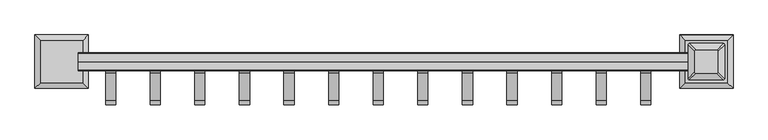
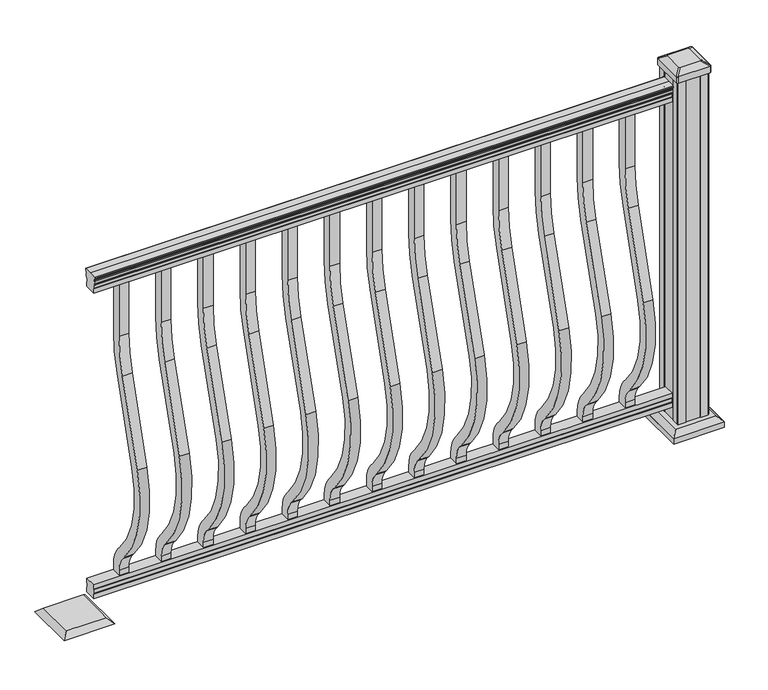
"""IFC4 building model written with IfcOpenShell, lengths in millimetres: railing geometry."""

from ifc_helpers import new_model, si_unit, point, frame, frame_2d, origin, origin_with_axes, place, context, project, spatial, polyline, circle_curve, trimmed, segment, composite_curve, outline, extrude, faceted_brep, source, transform, mapped, element, save
from ifc_brep_helpers import plane_surface, cylinder_surface, revolved_surface, extruded_surface, advanced_brep


def railing_f839fa81(model_context):
    return source(origin(), model_context, "Body", "SolidModel", [
        advanced_brep(
        [(14131.8060044, -47460.9992427, 938.4043297), (14131.8060044, -47460.9992427, 940.292412), (14131.8060044, -47462.129429, 941.8546695), (14131.8060044, -47462.129429, 949.0726458), (14131.8060044, -47461.4801726, 951.5060812), (14131.8060044, -47463.9801726, 955.8362083), (14131.8060044, -47465.3895151, 957.5157972), (14131.8060044, -47465.7914141, 958.6205318), (14131.8060044, -47465.791414, 959.9608158), (14131.8060044, -47464.2379668, 961.514263), (14131.8060044, -47443.566414, 961.514263), (14131.8060044, -47422.8948612, 961.514263), (14131.8060044, -47421.341414, 959.9608158), (14131.8060044, -47421.341414, 958.6205318), (14131.8060044, -47421.7433129, 957.5157972), (14131.8060044, -47423.1526554, 955.8362083), (14131.8060044, -47425.6526554, 951.5060812), (14131.8060044, -47425.003399, 949.0726458), (14131.8060044, -47425.003399, 941.8546695), (14131.8060044, -47426.1335853, 940.292412), (14131.8060044, -47426.1335853, 938.4043297), (14131.8060044, -47428.707414, 938.4043297), (14131.8060044, -47428.707414, 927.9048283), (14131.8060044, -47427.691414, 926.8888283), (14131.8060044, -47427.691414, 914.4), (14131.8060044, -47459.441414, 914.4), (14131.8060044, -47459.441414, 926.731013), (14131.8060044, -47458.425414, 927.747013), (14131.8060044, -47458.425414, 938.4043297), (15655.8060044, -47460.9992427, 938.4043297), (15655.8060044, -47458.425414, 938.4043297), (15655.8060044, -47458.425414, 927.747013), (15655.8060044, -47459.441414, 926.731013), (15655.8060044, -47459.441414, 914.4), (15655.8060044, -47427.691414, 914.4), (15655.8060044, -47427.691414, 926.8888283), (15655.8060044, -47428.707414, 927.9048283), (15655.8060044, -47428.707414, 938.4043297), (15655.8060044, -47426.1335853, 938.4043297), (15655.8060044, -47426.1335853, 940.292412), (15655.8060044, -47425.003399, 941.8546695), (15655.8060044, -47425.003399, 949.0726458), (15655.8060044, -47425.6526554, 951.5060812), (15655.8060044, -47423.1526554, 955.8362083), (15655.8060044, -47421.7433129, 957.5157972), (15655.8060044, -47421.3414139, 958.6205318), (15655.8060044, -47421.341414, 959.9608158), (15655.8060044, -47422.8948612, 961.514263), (15655.8060044, -47443.566414, 961.514263), (15655.8060044, -47464.2379668, 961.514263), (15655.8060044, -47465.791414, 959.9608158), (15655.8060044, -47465.791414, 958.6205318), (15655.8060044, -47465.3895151, 957.5157972), (15655.8060044, -47463.9801726, 955.8362083), (15655.8060044, -47461.4801726, 951.5060812), (15655.8060044, -47462.129429, 949.0726458), (15655.8060044, -47462.129429, 941.8546695), (15655.8060044, -47460.9992427, 940.292412)],
        [
            (0, 1),
            (1, 2, circle_curve(frame((14131.8060044, -47454.6844895, 946.0506383), z_axis=(-1.0, 0.0, 0.0), x_axis=(0.0, 1.0, 0.0)), 8.545951)),
            (2, 3, circle_curve(frame((14131.8060044, -47455.1215524, 945.4636577), z_axis=(-1.0, 0.0, 0.0), x_axis=(0.0, 1.0, 0.0)), 7.882584)),
            (3, 4, circle_curve(frame((14131.8060044, -47465.6348766, 951.3112527), z_axis=(1.0, 0.0, 0.0), x_axis=(0.0, 1.0, 0.0)), 4.1592695)),
            (4, 5, circle_curve(frame((14131.8060044, -47466.9221831, 951.2508864), z_axis=(1.0, 0.0, 0.0), x_axis=(0.0, 1.0, 0.0)), 5.4479907)),
            (5, 6, circle_curve(frame((14131.8060044, -47465.6890247, 955.833395), z_axis=(1.0, 0.0, 0.0), x_axis=(0.0, 1.0, 0.0)), 1.7088543)),
            (6, 7, circle_curve(frame((14131.8060044, -47464.0721246, 958.6205318), z_axis=(-1.0, 0.0, 0.0), x_axis=(0.0, 1.0, 0.0)), 1.7192895)),
            (7, 8),
            (8, 9, circle_curve(frame((14131.8060044, -47464.2379668, 959.9608158), z_axis=(-1.0, 0.0, 0.0), x_axis=(0.0, 1.0, 0.0)), 1.5534472)),
            (9, 10),
            (10, 11),
            (11, 12, circle_curve(frame((14131.8060044, -47422.8948612, 959.9608158), z_axis=(-1.0, 0.0, 0.0), x_axis=(0.0, -1.0, 0.0)), 1.5534472)),
            (12, 13),
            (13, 14, circle_curve(frame((14131.8060044, -47423.0607034, 958.6205318), z_axis=(-1.0, 0.0, 0.0), x_axis=(0.0, -1.0, 0.0)), 1.7192895)),
            (14, 15, circle_curve(frame((14131.8060044, -47421.4438033, 955.833395), z_axis=(1.0, 0.0, 0.0), x_axis=(0.0, -1.0, 0.0)), 1.7088543)),
            (15, 16, circle_curve(frame((14131.8060044, -47420.2106449, 951.2508864), z_axis=(1.0, 0.0, 0.0), x_axis=(0.0, -1.0, 0.0)), 5.4479907)),
            (16, 17, circle_curve(frame((14131.8060044, -47421.4979515, 951.3112527), z_axis=(1.0, 0.0, 0.0), x_axis=(0.0, -1.0, 0.0)), 4.1592695)),
            (17, 18, circle_curve(frame((14131.8060044, -47432.0112756, 945.4636577), z_axis=(-1.0, 0.0, 0.0), x_axis=(0.0, -1.0, 0.0)), 7.882584)),
            (18, 19, circle_curve(frame((14131.8060044, -47432.4483386, 946.0506383), z_axis=(-1.0, 0.0, 0.0), x_axis=(0.0, -1.0, 0.0)), 8.545951)),
            (19, 20),
            (20, 21, circle_curve(frame((14131.8060044, -47427.4204996, 938.4043297), z_axis=(-1.0, 0.0, 0.0), x_axis=(0.0, -1.0, 0.0)), 1.2869144)),
            (21, 22),
            (22, 23),
            (23, 24),
            (24, 25),
            (25, 26),
            (26, 27),
            (27, 28),
            (28, 0, circle_curve(frame((14131.8060044, -47459.7123284, 938.4043297), z_axis=(-1.0, 0.0, 0.0), x_axis=(0.0, 1.0, 0.0)), 1.2869144)),
            (29, 30, circle_curve(frame((15655.8060044, -47459.7123284, 938.4043297), z_axis=(1.0, 0.0, 0.0), x_axis=(0.0, 1.0, 0.0)), 1.2869144)),
            (30, 31),
            (31, 32),
            (32, 33),
            (33, 34),
            (34, 35),
            (35, 36),
            (36, 37),
            (37, 38, circle_curve(frame((15655.8060044, -47427.4204996, 938.4043297), z_axis=(1.0, 0.0, 0.0), x_axis=(0.0, -1.0, 0.0)), 1.2869144)),
            (38, 39),
            (39, 40, circle_curve(frame((15655.8060044, -47432.4483386, 946.0506383), z_axis=(1.0, 0.0, 0.0), x_axis=(0.0, -1.0, 0.0)), 8.545951)),
            (40, 41, circle_curve(frame((15655.8060044, -47432.0112756, 945.4636577), z_axis=(1.0, 0.0, 0.0), x_axis=(0.0, -1.0, 0.0)), 7.882584)),
            (41, 42, circle_curve(frame((15655.8060044, -47421.4979515, 951.3112527), z_axis=(-1.0, 0.0, 0.0), x_axis=(0.0, -1.0, 0.0)), 4.1592695)),
            (42, 43, circle_curve(frame((15655.8060044, -47420.2106449, 951.2508864), z_axis=(-1.0, 0.0, 0.0), x_axis=(0.0, -1.0, 0.0)), 5.4479907)),
            (43, 44, circle_curve(frame((15655.8060044, -47421.4438033, 955.833395), z_axis=(-1.0, 0.0, 0.0), x_axis=(0.0, -1.0, 0.0)), 1.7088543)),
            (44, 45, circle_curve(frame((15655.8060044, -47423.0607034, 958.6205318), z_axis=(1.0, 0.0, 0.0), x_axis=(0.0, -1.0, 0.0)), 1.7192895)),
            (45, 46),
            (46, 47, circle_curve(frame((15655.8060044, -47422.8948612, 959.9608158), z_axis=(1.0, 0.0, 0.0), x_axis=(0.0, -1.0, 0.0)), 1.5534472)),
            (47, 48),
            (48, 49),
            (49, 50, circle_curve(frame((15655.8060044, -47464.2379668, 959.9608158), z_axis=(1.0, 0.0, 0.0), x_axis=(0.0, 1.0, 0.0)), 1.5534472)),
            (50, 51),
            (51, 52, circle_curve(frame((15655.8060044, -47464.0721246, 958.6205318), z_axis=(1.0, 0.0, 0.0), x_axis=(0.0, 1.0, 0.0)), 1.7192895)),
            (52, 53, circle_curve(frame((15655.8060044, -47465.6890247, 955.833395), z_axis=(-1.0, 0.0, 0.0), x_axis=(0.0, 1.0, 0.0)), 1.7088543)),
            (53, 54, circle_curve(frame((15655.8060044, -47466.9221831, 951.2508864), z_axis=(-1.0, 0.0, 0.0), x_axis=(0.0, 1.0, 0.0)), 5.4479907)),
            (54, 55, circle_curve(frame((15655.8060044, -47465.6348766, 951.3112527), z_axis=(-1.0, 0.0, 0.0), x_axis=(0.0, 1.0, 0.0)), 4.1592695)),
            (55, 56, circle_curve(frame((15655.8060044, -47455.1215524, 945.4636577), z_axis=(1.0, 0.0, 0.0), x_axis=(0.0, 1.0, 0.0)), 7.882584)),
            (56, 57, circle_curve(frame((15655.8060044, -47454.6844895, 946.0506383), z_axis=(1.0, 0.0, 0.0), x_axis=(0.0, 1.0, 0.0)), 8.545951)),
            (57, 29),
            (28, 30),
            (29, 0),
            (27, 31),
            (26, 32),
            (25, 33),
            (24, 34),
            (23, 35),
            (22, 36),
            (21, 37),
            (20, 38),
            (19, 39),
            (18, 40),
            (17, 41),
            (16, 42),
            (15, 43),
            (14, 44),
            (13, 45),
            (12, 46),
            (11, 47),
            (10, 48),
            (9, 49),
            (8, 50),
            (7, 51),
            (6, 52),
            (5, 53),
            (4, 54),
            (3, 55),
            (2, 56),
            (1, 57),
        ],
        [
            plane_surface(frame((14131.8060044, -47443.566414, 914.4), z_axis=(-1.0, 0.0, 0.0), x_axis=(0.0, 1.0, 0.0))),
            plane_surface(frame((15655.8060044, -47443.566414, 914.4), z_axis=(1.0, 0.0, 0.0), x_axis=(0.0, 1.0, 0.0))),
            cylinder_surface(frame((14131.8060044, -47459.7123284, 938.4043297), z_axis=(-1.0, 0.0, 0.0), x_axis=(0.0, 1.0, 0.0)), 1.2869144),
            plane_surface(frame((14131.8060044, -47458.425414, 927.747013), z_axis=(0.0, -1.0, 0.0), x_axis=(1.0, 0.0, 0.0))),
            plane_surface(frame((14131.8060044, -47459.441414, 926.731013), z_axis=(0.0, -0.7071067811865395, 0.7071067811865556), x_axis=(1.0, 0.0, 0.0))),
            plane_surface(frame((14131.8060044, -47459.441414, 914.4), z_axis=(0.0, -1.0, 0.0), x_axis=(1.0, 0.0, 0.0))),
            plane_surface(frame((14131.8060044, -47427.691414, 914.4), z_axis=(0.0, 0.0, -1.0), x_axis=(1.0, 0.0, 0.0))),
            plane_surface(frame((14131.8060044, -47427.691414, 926.8888283), z_axis=(0.0, 1.0, 0.0), x_axis=(1.0, 0.0, 0.0))),
            plane_surface(frame((14131.8060044, -47428.707414, 927.9048283), z_axis=(0.0, 0.7071067811865432, 0.707106781186552), x_axis=(1.0, 0.0, 0.0))),
            plane_surface(frame((14131.8060044, -47428.707414, 938.4043297), z_axis=(0.0, 1.0, 0.0), x_axis=(1.0, 0.0, 0.0))),
            cylinder_surface(frame((14131.8060044, -47427.4204996, 938.4043297), z_axis=(-1.0, 0.0, 0.0), x_axis=(0.0, -1.0, 0.0)), 1.2869144),
            plane_surface(frame((14131.8060044, -47426.1335853, 940.292412), z_axis=(0.0, 1.0, 0.0), x_axis=(1.0, 0.0, 0.0))),
            cylinder_surface(frame((14131.8060044, -47432.4483386, 946.0506383), z_axis=(-1.0, 0.0, 0.0), x_axis=(0.0, -1.0, 0.0)), 8.545951),
            cylinder_surface(frame((14131.8060044, -47432.0112756, 945.4636577), z_axis=(-1.0, 0.0, 0.0), x_axis=(0.0, -1.0, 0.0)), 7.882584),
            revolved_surface(polyline([(15655.8060044, -47425.657221, 951.3112527), (14131.8060044, -47425.657221, 951.3112527)]), (14131.8060044, -47421.4979515, 951.3112527), (1.0, 0.0, 0.0)),
            revolved_surface(polyline([(15655.8060044, -47425.6586356, 951.2508864), (14131.8060044, -47425.6586356, 951.2508864)]), (14131.8060044, -47420.2106449, 951.2508864), (1.0, 0.0, 0.0)),
            revolved_surface(polyline([(15655.8060044, -47423.152657599996, 955.833395), (14131.8060044, -47423.152657599996, 955.833395)]), (14131.8060044, -47421.4438033, 955.833395), (1.0, 0.0, 0.0)),
            cylinder_surface(frame((14131.8060044, -47423.0607034, 958.6205318), z_axis=(-1.0, 0.0, 0.0), x_axis=(0.0, -1.0, 0.0)), 1.7192895),
            plane_surface(frame((14131.8060044, -47421.341414, 959.9608158), z_axis=(0.0, 1.0, 0.0), x_axis=(1.0, 0.0, 0.0))),
            cylinder_surface(frame((14131.8060044, -47422.8948612, 959.9608158), z_axis=(-1.0, 0.0, 0.0), x_axis=(0.0, -1.0, 0.0)), 1.5534472),
            plane_surface(frame((14131.8060044, -47443.566414, 961.514263), z_axis=(0.0, 0.0, 1.0), x_axis=(1.0, 0.0, 0.0))),
            plane_surface(frame((14131.8060044, -47464.2379668, 961.514263), z_axis=(0.0, 0.0, 1.0), x_axis=(1.0, 0.0, 0.0))),
            cylinder_surface(frame((14131.8060044, -47464.2379668, 959.9608158), z_axis=(-1.0, 0.0, 0.0), x_axis=(0.0, 1.0, 0.0)), 1.5534472),
            plane_surface(frame((14131.8060044, -47465.791414, 958.6205318), z_axis=(0.0, -1.0, 0.0), x_axis=(1.0, 0.0, 0.0))),
            cylinder_surface(frame((14131.8060044, -47464.0721246, 958.6205318), z_axis=(-1.0, 0.0, 0.0), x_axis=(0.0, 1.0, 0.0)), 1.7192895),
            revolved_surface(polyline([(15655.8060044, -47463.9801704, 955.833395), (14131.8060044, -47463.9801704, 955.833395)]), (14131.8060044, -47465.6890247, 955.833395), (1.0, 0.0, 0.0)),
            revolved_surface(polyline([(15655.8060044, -47461.474192400005, 951.2508864), (14131.8060044, -47461.474192400005, 951.2508864)]), (14131.8060044, -47466.9221831, 951.2508864), (1.0, 0.0, 0.0)),
            revolved_surface(polyline([(15655.8060044, -47461.4756071, 951.3112527), (14131.8060044, -47461.4756071, 951.3112527)]), (14131.8060044, -47465.6348766, 951.3112527), (1.0, 0.0, 0.0)),
            cylinder_surface(frame((14131.8060044, -47455.1215524, 945.4636577), z_axis=(-1.0, 0.0, 0.0), x_axis=(0.0, 1.0, 0.0)), 7.882584),
            cylinder_surface(frame((14131.8060044, -47454.6844895, 946.0506383), z_axis=(-1.0, 0.0, 0.0), x_axis=(0.0, 1.0, 0.0)), 8.545951),
            plane_surface(frame((14131.8060044, -47460.9992427, 938.4043297), z_axis=(0.0, -1.0, 0.0), x_axis=(1.0, 0.0, 0.0))),
        ],
        [
            (0, [[1, 2, 3, 4, 5, 6, 7, 8, 9, 10, 11, 12, 13, 14, 15, 16, 17, 18, 19, 20, 21, 22, 23, 24, 25, 26, 27, 28, 29]]),
            (1, [[30, 31, 32, 33, 34, 35, 36, 37, 38, 39, 40, 41, 42, 43, 44, 45, 46, 47, 48, 49, 50, 51, 52, 53, 54, 55, 56, 57, 58]]),
            (2, [[-29, 59, -30, 60]]),
            (3, [[-28, 61, -31, -59]]),
            (4, [[-27, 62, -32, -61]]),
            (5, [[-26, 63, -33, -62]]),
            (6, [[-25, 64, -34, -63]]),
            (7, [[-24, 65, -35, -64]]),
            (8, [[-23, 66, -36, -65]]),
            (9, [[-22, 67, -37, -66]]),
            (10, [[-21, 68, -38, -67]]),
            (11, [[-20, 69, -39, -68]]),
            (12, [[-19, 70, -40, -69]]),
            (13, [[-18, 71, -41, -70]]),
            (14, [[-17, 72, -42, -71]]),
            (15, [[-16, 73, -43, -72]]),
            (16, [[-15, 74, -44, -73]]),
            (17, [[-14, 75, -45, -74]]),
            (18, [[-13, 76, -46, -75]]),
            (19, [[-12, 77, -47, -76]]),
            (20, [[-11, 78, -48, -77]]),
            (21, [[-10, 79, -49, -78]]),
            (22, [[-9, 80, -50, -79]]),
            (23, [[-8, 81, -51, -80]]),
            (24, [[-7, 82, -52, -81]]),
            (25, [[-6, 83, -53, -82]]),
            (26, [[-5, 84, -54, -83]]),
            (27, [[-4, 85, -55, -84]]),
            (28, [[-3, 86, -56, -85]]),
            (29, [[-2, 87, -57, -86]]),
            (30, [[-1, -60, -58, -87]]),
        ],
    ),
        faceted_brep([(14131.8060044, -47459.4789009, 76.0541976), (14131.8060044, -47458.4629009, 77.3546183), (14131.8060044, -47458.4629009, 87.7141717), (14131.8060044, -47459.4789009, 89.0624492), (14131.8060044, -47459.4789009, 101.5958781), (14131.8060044, -47427.7289009, 101.5958781), (14131.8060044, -47427.7289009, 89.0458024), (14131.8060044, -47428.7449009, 87.6975248), (14131.8060044, -47428.7449009, 77.3858283), (14131.8060044, -47427.7289009, 76.0375508), (14131.8060044, -47427.7289009, 63.5), (14131.8060044, -47459.4789009, 63.5), (15655.8060044, -47459.4789009, 76.0541976), (15655.8060044, -47459.4789009, 63.5), (15655.8060044, -47427.7289009, 63.5), (15655.8060044, -47427.7289009, 76.0375508), (15655.8060044, -47428.7449009, 77.3858283), (15655.8060044, -47428.7449009, 87.6975248), (15655.8060044, -47427.7289009, 89.0458024), (15655.8060044, -47427.7289009, 101.5958781), (15655.8060044, -47459.4789009, 101.5958781), (15655.8060044, -47459.4789009, 89.0624492), (15655.8060044, -47458.4629009, 87.7141717), (15655.8060044, -47458.4629009, 77.3546183)], [[[0, 1, 2, 3, 4, 5, 6, 7, 8, 9, 10, 11]], [[12, 13, 14, 15, 16, 17, 18, 19, 20, 21, 22, 23]], [[0, 11, 13, 12]], [[11, 10, 14, 13]], [[10, 9, 15, 14]], [[9, 8, 16, 15]], [[8, 7, 17, 16]], [[7, 6, 18, 17]], [[6, 5, 19, 18]], [[5, 4, 20, 19]], [[4, 3, 21, 20]], [[3, 2, 22, 21]], [[2, 1, 23, 22]], [[1, 0, 12, 23]]]),
        extrude(outline(composite_curve([segment(polyline([(-47456.266414, 768.63216), (-47456.266414, 914.4), (-47430.866414, 914.4), (-47430.866414, 768.63216)]), True, "CONTINUOUS"), segment(trimmed(circle_curve(frame_2d((-47803.566414, 768.63216)), 372.7), [point((-47430.866414, 768.63216))], [point((-47447.1516315, 659.6652257))], False, "CARTESIAN"), True, "CONTINUOUS"), segment(polyline([(-47447.1516315, 659.6652257), (-47514.9789093, 437.8121964)]), True, "CONTINUOUS"), segment(trimmed(circle_curve(frame_2d((-47259.358648, 359.6612397)), 267.3), [point((-47514.9789093, 437.8121964))], [point((-47458.6736709, 181.5522516))], True, "CARTESIAN"), True, "CONTINUOUS"), segment(polyline([(-47458.6736709, 181.5522516), (-47453.1719976, 175.3955374)]), True, "CONTINUOUS"), segment(trimmed(circle_curve(frame_2d((-47518.566414, 116.9587313)), 87.7), [point((-47453.1719976, 175.3955374))], [point((-47430.866414, 116.9587313))], False, "CARTESIAN"), True, "CONTINUOUS"), segment(polyline([(-47430.866414, 116.9587313), (-47430.866414, 101.5958781), (-47456.266414, 101.5958781), (-47456.266414, 116.9587313)]), True, "CONTINUOUS"), segment(trimmed(circle_curve(frame_2d((-47518.566414, 116.9587313)), 62.3), [point((-47456.266414, 116.9587313))], [point((-47472.1117716, 158.4708524))], True, "CARTESIAN"), True, "CONTINUOUS"), segment(polyline([(-47472.1117716, 158.4708524), (-47477.6134448, 164.6275666)]), True, "CONTINUOUS"), segment(trimmed(circle_curve(frame_2d((-47259.358648, 359.6612397)), 292.7), [point((-47477.6134448, 164.6275666))], [point((-47539.2690501, 445.2384377))], False, "CARTESIAN"), True, "CONTINUOUS"), segment(polyline([(-47539.2690501, 445.2384377), (-47471.4417723, 667.091467)]), True, "CONTINUOUS"), segment(trimmed(circle_curve(frame_2d((-47803.566414, 768.63216)), 347.3), [point((-47471.4417723, 667.091467))], [point((-47456.266414, 768.63216))], True, "CARTESIAN"), True, "CONTINUOUS")], self_intersect=False)), frame((15533.5685044, 0.0, 0.0), z_axis=(1.0, 0.0, 0.0), x_axis=(0.0, 1.0, 0.0)), (0.0, 0.0, 1.0), 25.4),
        extrude(outline(composite_curve([segment(polyline([(-47456.266414, 768.63216), (-47456.266414, 914.4), (-47430.866414, 914.4), (-47430.866414, 768.63216)]), True, "CONTINUOUS"), segment(trimmed(circle_curve(frame_2d((-47803.566414, 768.63216)), 372.7), [point((-47430.866414, 768.63216))], [point((-47447.1516315, 659.6652257))], False, "CARTESIAN"), True, "CONTINUOUS"), segment(polyline([(-47447.1516315, 659.6652257), (-47514.9789093, 437.8121964)]), True, "CONTINUOUS"), segment(trimmed(circle_curve(frame_2d((-47259.358648, 359.6612397)), 267.3), [point((-47514.9789093, 437.8121964))], [point((-47458.6736709, 181.5522516))], True, "CARTESIAN"), True, "CONTINUOUS"), segment(polyline([(-47458.6736709, 181.5522516), (-47453.1719976, 175.3955374)]), True, "CONTINUOUS"), segment(trimmed(circle_curve(frame_2d((-47518.566414, 116.9587313)), 87.7), [point((-47453.1719976, 175.3955374))], [point((-47430.866414, 116.9587313))], False, "CARTESIAN"), True, "CONTINUOUS"), segment(polyline([(-47430.866414, 116.9587313), (-47430.866414, 101.5958781), (-47456.266414, 101.5958781), (-47456.266414, 116.9587313)]), True, "CONTINUOUS"), segment(trimmed(circle_curve(frame_2d((-47518.566414, 116.9587313)), 62.3), [point((-47456.266414, 116.9587313))], [point((-47472.1117716, 158.4708524))], True, "CARTESIAN"), True, "CONTINUOUS"), segment(polyline([(-47472.1117716, 158.4708524), (-47477.6134448, 164.6275666)]), True, "CONTINUOUS"), segment(trimmed(circle_curve(frame_2d((-47259.358648, 359.6612397)), 292.7), [point((-47477.6134448, 164.6275666))], [point((-47539.2690501, 445.2384377))], False, "CARTESIAN"), True, "CONTINUOUS"), segment(polyline([(-47539.2690501, 445.2384377), (-47471.4417723, 667.091467)]), True, "CONTINUOUS"), segment(trimmed(circle_curve(frame_2d((-47803.566414, 768.63216)), 347.3), [point((-47471.4417723, 667.091467))], [point((-47456.266414, 768.63216))], True, "CARTESIAN"), True, "CONTINUOUS")], self_intersect=False)), frame((15422.4435044, 0.0, 0.0), z_axis=(1.0, 0.0, 0.0), x_axis=(0.0, 1.0, 0.0)), (0.0, 0.0, 1.0), 25.4),
        extrude(outline(composite_curve([segment(polyline([(-47456.266414, 768.63216), (-47456.266414, 914.4), (-47430.866414, 914.4), (-47430.866414, 768.63216)]), True, "CONTINUOUS"), segment(trimmed(circle_curve(frame_2d((-47803.566414, 768.63216)), 372.7), [point((-47430.866414, 768.63216))], [point((-47447.1516315, 659.6652257))], False, "CARTESIAN"), True, "CONTINUOUS"), segment(polyline([(-47447.1516315, 659.6652257), (-47514.9789093, 437.8121964)]), True, "CONTINUOUS"), segment(trimmed(circle_curve(frame_2d((-47259.358648, 359.6612397)), 267.3), [point((-47514.9789093, 437.8121964))], [point((-47458.6736709, 181.5522516))], True, "CARTESIAN"), True, "CONTINUOUS"), segment(polyline([(-47458.6736709, 181.5522516), (-47453.1719976, 175.3955374)]), True, "CONTINUOUS"), segment(trimmed(circle_curve(frame_2d((-47518.566414, 116.9587313)), 87.7), [point((-47453.1719976, 175.3955374))], [point((-47430.866414, 116.9587313))], False, "CARTESIAN"), True, "CONTINUOUS"), segment(polyline([(-47430.866414, 116.9587313), (-47430.866414, 101.5958781), (-47456.266414, 101.5958781), (-47456.266414, 116.9587313)]), True, "CONTINUOUS"), segment(trimmed(circle_curve(frame_2d((-47518.566414, 116.9587313)), 62.3), [point((-47456.266414, 116.9587313))], [point((-47472.1117716, 158.4708524))], True, "CARTESIAN"), True, "CONTINUOUS"), segment(polyline([(-47472.1117716, 158.4708524), (-47477.6134448, 164.6275666)]), True, "CONTINUOUS"), segment(trimmed(circle_curve(frame_2d((-47259.358648, 359.6612397)), 292.7), [point((-47477.6134448, 164.6275666))], [point((-47539.2690501, 445.2384377))], False, "CARTESIAN"), True, "CONTINUOUS"), segment(polyline([(-47539.2690501, 445.2384377), (-47471.4417723, 667.091467)]), True, "CONTINUOUS"), segment(trimmed(circle_curve(frame_2d((-47803.566414, 768.63216)), 347.3), [point((-47471.4417723, 667.091467))], [point((-47456.266414, 768.63216))], True, "CARTESIAN"), True, "CONTINUOUS")], self_intersect=False)), frame((15311.3185044, 0.0, 0.0), z_axis=(1.0, 0.0, 0.0), x_axis=(0.0, 1.0, 0.0)), (0.0, 0.0, 1.0), 25.4),
        extrude(outline(composite_curve([segment(polyline([(-47456.266414, 768.63216), (-47456.266414, 914.4), (-47430.866414, 914.4), (-47430.866414, 768.63216)]), True, "CONTINUOUS"), segment(trimmed(circle_curve(frame_2d((-47803.566414, 768.63216)), 372.7), [point((-47430.866414, 768.63216))], [point((-47447.1516315, 659.6652257))], False, "CARTESIAN"), True, "CONTINUOUS"), segment(polyline([(-47447.1516315, 659.6652257), (-47514.9789093, 437.8121964)]), True, "CONTINUOUS"), segment(trimmed(circle_curve(frame_2d((-47259.358648, 359.6612397)), 267.3), [point((-47514.9789093, 437.8121964))], [point((-47458.6736709, 181.5522516))], True, "CARTESIAN"), True, "CONTINUOUS"), segment(polyline([(-47458.6736709, 181.5522516), (-47453.1719976, 175.3955374)]), True, "CONTINUOUS"), segment(trimmed(circle_curve(frame_2d((-47518.566414, 116.9587313)), 87.7), [point((-47453.1719976, 175.3955374))], [point((-47430.866414, 116.9587313))], False, "CARTESIAN"), True, "CONTINUOUS"), segment(polyline([(-47430.866414, 116.9587313), (-47430.866414, 101.5958781), (-47456.266414, 101.5958781), (-47456.266414, 116.9587313)]), True, "CONTINUOUS"), segment(trimmed(circle_curve(frame_2d((-47518.566414, 116.9587313)), 62.3), [point((-47456.266414, 116.9587313))], [point((-47472.1117716, 158.4708524))], True, "CARTESIAN"), True, "CONTINUOUS"), segment(polyline([(-47472.1117716, 158.4708524), (-47477.6134448, 164.6275666)]), True, "CONTINUOUS"), segment(trimmed(circle_curve(frame_2d((-47259.358648, 359.6612397)), 292.7), [point((-47477.6134448, 164.6275666))], [point((-47539.2690501, 445.2384377))], False, "CARTESIAN"), True, "CONTINUOUS"), segment(polyline([(-47539.2690501, 445.2384377), (-47471.4417723, 667.091467)]), True, "CONTINUOUS"), segment(trimmed(circle_curve(frame_2d((-47803.566414, 768.63216)), 347.3), [point((-47471.4417723, 667.091467))], [point((-47456.266414, 768.63216))], True, "CARTESIAN"), True, "CONTINUOUS")], self_intersect=False)), frame((15200.1935044, 0.0, 0.0), z_axis=(1.0, 0.0, 0.0), x_axis=(0.0, 1.0, 0.0)), (0.0, 0.0, 1.0), 25.4),
        extrude(outline(composite_curve([segment(polyline([(-47456.266414, 768.63216), (-47456.266414, 914.4), (-47430.866414, 914.4), (-47430.866414, 768.63216)]), True, "CONTINUOUS"), segment(trimmed(circle_curve(frame_2d((-47803.566414, 768.63216)), 372.7), [point((-47430.866414, 768.63216))], [point((-47447.1516315, 659.6652257))], False, "CARTESIAN"), True, "CONTINUOUS"), segment(polyline([(-47447.1516315, 659.6652257), (-47514.9789093, 437.8121964)]), True, "CONTINUOUS"), segment(trimmed(circle_curve(frame_2d((-47259.358648, 359.6612397)), 267.3), [point((-47514.9789093, 437.8121964))], [point((-47458.6736709, 181.5522516))], True, "CARTESIAN"), True, "CONTINUOUS"), segment(polyline([(-47458.6736709, 181.5522516), (-47453.1719976, 175.3955374)]), True, "CONTINUOUS"), segment(trimmed(circle_curve(frame_2d((-47518.566414, 116.9587313)), 87.7), [point((-47453.1719976, 175.3955374))], [point((-47430.866414, 116.9587313))], False, "CARTESIAN"), True, "CONTINUOUS"), segment(polyline([(-47430.866414, 116.9587313), (-47430.866414, 101.5958781), (-47456.266414, 101.5958781), (-47456.266414, 116.9587313)]), True, "CONTINUOUS"), segment(trimmed(circle_curve(frame_2d((-47518.566414, 116.9587313)), 62.3), [point((-47456.266414, 116.9587313))], [point((-47472.1117716, 158.4708524))], True, "CARTESIAN"), True, "CONTINUOUS"), segment(polyline([(-47472.1117716, 158.4708524), (-47477.6134448, 164.6275666)]), True, "CONTINUOUS"), segment(trimmed(circle_curve(frame_2d((-47259.358648, 359.6612397)), 292.7), [point((-47477.6134448, 164.6275666))], [point((-47539.2690501, 445.2384377))], False, "CARTESIAN"), True, "CONTINUOUS"), segment(polyline([(-47539.2690501, 445.2384377), (-47471.4417723, 667.091467)]), True, "CONTINUOUS"), segment(trimmed(circle_curve(frame_2d((-47803.566414, 768.63216)), 347.3), [point((-47471.4417723, 667.091467))], [point((-47456.266414, 768.63216))], True, "CARTESIAN"), True, "CONTINUOUS")], self_intersect=False)), frame((15089.0685044, 0.0, 0.0), z_axis=(1.0, 0.0, 0.0), x_axis=(0.0, 1.0, 0.0)), (0.0, 0.0, 1.0), 25.4),
        extrude(outline(composite_curve([segment(polyline([(-47456.266414, 768.63216), (-47456.266414, 914.4), (-47430.866414, 914.4), (-47430.866414, 768.63216)]), True, "CONTINUOUS"), segment(trimmed(circle_curve(frame_2d((-47803.566414, 768.63216)), 372.7), [point((-47430.866414, 768.63216))], [point((-47447.1516315, 659.6652257))], False, "CARTESIAN"), True, "CONTINUOUS"), segment(polyline([(-47447.1516315, 659.6652257), (-47514.9789093, 437.8121964)]), True, "CONTINUOUS"), segment(trimmed(circle_curve(frame_2d((-47259.358648, 359.6612397)), 267.3), [point((-47514.9789093, 437.8121964))], [point((-47458.6736709, 181.5522516))], True, "CARTESIAN"), True, "CONTINUOUS"), segment(polyline([(-47458.6736709, 181.5522516), (-47453.1719976, 175.3955374)]), True, "CONTINUOUS"), segment(trimmed(circle_curve(frame_2d((-47518.566414, 116.9587313)), 87.7), [point((-47453.1719976, 175.3955374))], [point((-47430.866414, 116.9587313))], False, "CARTESIAN"), True, "CONTINUOUS"), segment(polyline([(-47430.866414, 116.9587313), (-47430.866414, 101.5958781), (-47456.266414, 101.5958781), (-47456.266414, 116.9587313)]), True, "CONTINUOUS"), segment(trimmed(circle_curve(frame_2d((-47518.566414, 116.9587313)), 62.3), [point((-47456.266414, 116.9587313))], [point((-47472.1117716, 158.4708524))], True, "CARTESIAN"), True, "CONTINUOUS"), segment(polyline([(-47472.1117716, 158.4708524), (-47477.6134448, 164.6275666)]), True, "CONTINUOUS"), segment(trimmed(circle_curve(frame_2d((-47259.358648, 359.6612397)), 292.7), [point((-47477.6134448, 164.6275666))], [point((-47539.2690501, 445.2384377))], False, "CARTESIAN"), True, "CONTINUOUS"), segment(polyline([(-47539.2690501, 445.2384377), (-47471.4417723, 667.091467)]), True, "CONTINUOUS"), segment(trimmed(circle_curve(frame_2d((-47803.566414, 768.63216)), 347.3), [point((-47471.4417723, 667.091467))], [point((-47456.266414, 768.63216))], True, "CARTESIAN"), True, "CONTINUOUS")], self_intersect=False)), frame((14977.9435044, 0.0, 0.0), z_axis=(1.0, 0.0, 0.0), x_axis=(0.0, 1.0, 0.0)), (0.0, 0.0, 1.0), 25.4),
        extrude(outline(composite_curve([segment(polyline([(-47456.266414, 768.63216), (-47456.266414, 914.4), (-47430.866414, 914.4), (-47430.866414, 768.63216)]), True, "CONTINUOUS"), segment(trimmed(circle_curve(frame_2d((-47803.566414, 768.63216)), 372.7), [point((-47430.866414, 768.63216))], [point((-47447.1516315, 659.6652257))], False, "CARTESIAN"), True, "CONTINUOUS"), segment(polyline([(-47447.1516315, 659.6652257), (-47514.9789093, 437.8121964)]), True, "CONTINUOUS"), segment(trimmed(circle_curve(frame_2d((-47259.358648, 359.6612397)), 267.3), [point((-47514.9789093, 437.8121964))], [point((-47458.6736709, 181.5522516))], True, "CARTESIAN"), True, "CONTINUOUS"), segment(polyline([(-47458.6736709, 181.5522516), (-47453.1719976, 175.3955374)]), True, "CONTINUOUS"), segment(trimmed(circle_curve(frame_2d((-47518.566414, 116.9587313)), 87.7), [point((-47453.1719976, 175.3955374))], [point((-47430.866414, 116.9587313))], False, "CARTESIAN"), True, "CONTINUOUS"), segment(polyline([(-47430.866414, 116.9587313), (-47430.866414, 101.5958781), (-47456.266414, 101.5958781), (-47456.266414, 116.9587313)]), True, "CONTINUOUS"), segment(trimmed(circle_curve(frame_2d((-47518.566414, 116.9587313)), 62.3), [point((-47456.266414, 116.9587313))], [point((-47472.1117716, 158.4708524))], True, "CARTESIAN"), True, "CONTINUOUS"), segment(polyline([(-47472.1117716, 158.4708524), (-47477.6134448, 164.6275666)]), True, "CONTINUOUS"), segment(trimmed(circle_curve(frame_2d((-47259.358648, 359.6612397)), 292.7), [point((-47477.6134448, 164.6275666))], [point((-47539.2690501, 445.2384377))], False, "CARTESIAN"), True, "CONTINUOUS"), segment(polyline([(-47539.2690501, 445.2384377), (-47471.4417723, 667.091467)]), True, "CONTINUOUS"), segment(trimmed(circle_curve(frame_2d((-47803.566414, 768.63216)), 347.3), [point((-47471.4417723, 667.091467))], [point((-47456.266414, 768.63216))], True, "CARTESIAN"), True, "CONTINUOUS")], self_intersect=False)), frame((14866.8185044, 0.0, 0.0), z_axis=(1.0, 0.0, 0.0), x_axis=(0.0, 1.0, 0.0)), (0.0, 0.0, 1.0), 25.4),
        extrude(outline(composite_curve([segment(polyline([(-47456.266414, 768.63216), (-47456.266414, 914.4), (-47430.866414, 914.4), (-47430.866414, 768.63216)]), True, "CONTINUOUS"), segment(trimmed(circle_curve(frame_2d((-47803.566414, 768.63216)), 372.7), [point((-47430.866414, 768.63216))], [point((-47447.1516315, 659.6652257))], False, "CARTESIAN"), True, "CONTINUOUS"), segment(polyline([(-47447.1516315, 659.6652257), (-47514.9789093, 437.8121964)]), True, "CONTINUOUS"), segment(trimmed(circle_curve(frame_2d((-47259.358648, 359.6612397)), 267.3), [point((-47514.9789093, 437.8121964))], [point((-47458.6736709, 181.5522516))], True, "CARTESIAN"), True, "CONTINUOUS"), segment(polyline([(-47458.6736709, 181.5522516), (-47453.1719976, 175.3955374)]), True, "CONTINUOUS"), segment(trimmed(circle_curve(frame_2d((-47518.566414, 116.9587313)), 87.7), [point((-47453.1719976, 175.3955374))], [point((-47430.866414, 116.9587313))], False, "CARTESIAN"), True, "CONTINUOUS"), segment(polyline([(-47430.866414, 116.9587313), (-47430.866414, 101.5958781), (-47456.266414, 101.5958781), (-47456.266414, 116.9587313)]), True, "CONTINUOUS"), segment(trimmed(circle_curve(frame_2d((-47518.566414, 116.9587313)), 62.3), [point((-47456.266414, 116.9587313))], [point((-47472.1117716, 158.4708524))], True, "CARTESIAN"), True, "CONTINUOUS"), segment(polyline([(-47472.1117716, 158.4708524), (-47477.6134448, 164.6275666)]), True, "CONTINUOUS"), segment(trimmed(circle_curve(frame_2d((-47259.358648, 359.6612397)), 292.7), [point((-47477.6134448, 164.6275666))], [point((-47539.2690501, 445.2384377))], False, "CARTESIAN"), True, "CONTINUOUS"), segment(polyline([(-47539.2690501, 445.2384377), (-47471.4417723, 667.091467)]), True, "CONTINUOUS"), segment(trimmed(circle_curve(frame_2d((-47803.566414, 768.63216)), 347.3), [point((-47471.4417723, 667.091467))], [point((-47456.266414, 768.63216))], True, "CARTESIAN"), True, "CONTINUOUS")], self_intersect=False)), frame((14755.6935044, 0.0, 0.0), z_axis=(1.0, 0.0, 0.0), x_axis=(0.0, 1.0, 0.0)), (0.0, 0.0, 1.0), 25.4),
        extrude(outline(composite_curve([segment(polyline([(-47456.266414, 768.63216), (-47456.266414, 914.4), (-47430.866414, 914.4), (-47430.866414, 768.63216)]), True, "CONTINUOUS"), segment(trimmed(circle_curve(frame_2d((-47803.566414, 768.63216)), 372.7), [point((-47430.866414, 768.63216))], [point((-47447.1516315, 659.6652257))], False, "CARTESIAN"), True, "CONTINUOUS"), segment(polyline([(-47447.1516315, 659.6652257), (-47514.9789093, 437.8121964)]), True, "CONTINUOUS"), segment(trimmed(circle_curve(frame_2d((-47259.358648, 359.6612397)), 267.3), [point((-47514.9789093, 437.8121964))], [point((-47458.6736709, 181.5522516))], True, "CARTESIAN"), True, "CONTINUOUS"), segment(polyline([(-47458.6736709, 181.5522516), (-47453.1719976, 175.3955374)]), True, "CONTINUOUS"), segment(trimmed(circle_curve(frame_2d((-47518.566414, 116.9587313)), 87.7), [point((-47453.1719976, 175.3955374))], [point((-47430.866414, 116.9587313))], False, "CARTESIAN"), True, "CONTINUOUS"), segment(polyline([(-47430.866414, 116.9587313), (-47430.866414, 101.5958781), (-47456.266414, 101.5958781), (-47456.266414, 116.9587313)]), True, "CONTINUOUS"), segment(trimmed(circle_curve(frame_2d((-47518.566414, 116.9587313)), 62.3), [point((-47456.266414, 116.9587313))], [point((-47472.1117716, 158.4708524))], True, "CARTESIAN"), True, "CONTINUOUS"), segment(polyline([(-47472.1117716, 158.4708524), (-47477.6134448, 164.6275666)]), True, "CONTINUOUS"), segment(trimmed(circle_curve(frame_2d((-47259.358648, 359.6612397)), 292.7), [point((-47477.6134448, 164.6275666))], [point((-47539.2690501, 445.2384377))], False, "CARTESIAN"), True, "CONTINUOUS"), segment(polyline([(-47539.2690501, 445.2384377), (-47471.4417723, 667.091467)]), True, "CONTINUOUS"), segment(trimmed(circle_curve(frame_2d((-47803.566414, 768.63216)), 347.3), [point((-47471.4417723, 667.091467))], [point((-47456.266414, 768.63216))], True, "CARTESIAN"), True, "CONTINUOUS")], self_intersect=False)), frame((14644.5685044, 0.0, 0.0), z_axis=(1.0, 0.0, 0.0), x_axis=(0.0, 1.0, 0.0)), (0.0, 0.0, 1.0), 25.4),
        extrude(outline(composite_curve([segment(polyline([(-47456.266414, 768.63216), (-47456.266414, 914.4), (-47430.866414, 914.4), (-47430.866414, 768.63216)]), True, "CONTINUOUS"), segment(trimmed(circle_curve(frame_2d((-47803.566414, 768.63216)), 372.7), [point((-47430.866414, 768.63216))], [point((-47447.1516315, 659.6652257))], False, "CARTESIAN"), True, "CONTINUOUS"), segment(polyline([(-47447.1516315, 659.6652257), (-47514.9789093, 437.8121964)]), True, "CONTINUOUS"), segment(trimmed(circle_curve(frame_2d((-47259.358648, 359.6612397)), 267.3), [point((-47514.9789093, 437.8121964))], [point((-47458.6736709, 181.5522516))], True, "CARTESIAN"), True, "CONTINUOUS"), segment(polyline([(-47458.6736709, 181.5522516), (-47453.1719976, 175.3955374)]), True, "CONTINUOUS"), segment(trimmed(circle_curve(frame_2d((-47518.566414, 116.9587313)), 87.7), [point((-47453.1719976, 175.3955374))], [point((-47430.866414, 116.9587313))], False, "CARTESIAN"), True, "CONTINUOUS"), segment(polyline([(-47430.866414, 116.9587313), (-47430.866414, 101.5958781), (-47456.266414, 101.5958781), (-47456.266414, 116.9587313)]), True, "CONTINUOUS"), segment(trimmed(circle_curve(frame_2d((-47518.566414, 116.9587313)), 62.3), [point((-47456.266414, 116.9587313))], [point((-47472.1117716, 158.4708524))], True, "CARTESIAN"), True, "CONTINUOUS"), segment(polyline([(-47472.1117716, 158.4708524), (-47477.6134448, 164.6275666)]), True, "CONTINUOUS"), segment(trimmed(circle_curve(frame_2d((-47259.358648, 359.6612397)), 292.7), [point((-47477.6134448, 164.6275666))], [point((-47539.2690501, 445.2384377))], False, "CARTESIAN"), True, "CONTINUOUS"), segment(polyline([(-47539.2690501, 445.2384377), (-47471.4417723, 667.091467)]), True, "CONTINUOUS"), segment(trimmed(circle_curve(frame_2d((-47803.566414, 768.63216)), 347.3), [point((-47471.4417723, 667.091467))], [point((-47456.266414, 768.63216))], True, "CARTESIAN"), True, "CONTINUOUS")], self_intersect=False)), frame((14533.4435044, 0.0, 0.0), z_axis=(1.0, 0.0, 0.0), x_axis=(0.0, 1.0, 0.0)), (0.0, 0.0, 1.0), 25.4),
        extrude(outline(composite_curve([segment(polyline([(-47456.266414, 768.63216), (-47456.266414, 914.4), (-47430.866414, 914.4), (-47430.866414, 768.63216)]), True, "CONTINUOUS"), segment(trimmed(circle_curve(frame_2d((-47803.566414, 768.63216)), 372.7), [point((-47430.866414, 768.63216))], [point((-47447.1516315, 659.6652257))], False, "CARTESIAN"), True, "CONTINUOUS"), segment(polyline([(-47447.1516315, 659.6652257), (-47514.9789093, 437.8121964)]), True, "CONTINUOUS"), segment(trimmed(circle_curve(frame_2d((-47259.358648, 359.6612397)), 267.3), [point((-47514.9789093, 437.8121964))], [point((-47458.6736709, 181.5522516))], True, "CARTESIAN"), True, "CONTINUOUS"), segment(polyline([(-47458.6736709, 181.5522516), (-47453.1719976, 175.3955374)]), True, "CONTINUOUS"), segment(trimmed(circle_curve(frame_2d((-47518.566414, 116.9587313)), 87.7), [point((-47453.1719976, 175.3955374))], [point((-47430.866414, 116.9587313))], False, "CARTESIAN"), True, "CONTINUOUS"), segment(polyline([(-47430.866414, 116.9587313), (-47430.866414, 101.5958781), (-47456.266414, 101.5958781), (-47456.266414, 116.9587313)]), True, "CONTINUOUS"), segment(trimmed(circle_curve(frame_2d((-47518.566414, 116.9587313)), 62.3), [point((-47456.266414, 116.9587313))], [point((-47472.1117716, 158.4708524))], True, "CARTESIAN"), True, "CONTINUOUS"), segment(polyline([(-47472.1117716, 158.4708524), (-47477.6134448, 164.6275666)]), True, "CONTINUOUS"), segment(trimmed(circle_curve(frame_2d((-47259.358648, 359.6612397)), 292.7), [point((-47477.6134448, 164.6275666))], [point((-47539.2690501, 445.2384377))], False, "CARTESIAN"), True, "CONTINUOUS"), segment(polyline([(-47539.2690501, 445.2384377), (-47471.4417723, 667.091467)]), True, "CONTINUOUS"), segment(trimmed(circle_curve(frame_2d((-47803.566414, 768.63216)), 347.3), [point((-47471.4417723, 667.091467))], [point((-47456.266414, 768.63216))], True, "CARTESIAN"), True, "CONTINUOUS")], self_intersect=False)), frame((14422.3185044, 0.0, 0.0), z_axis=(1.0, 0.0, 0.0), x_axis=(0.0, 1.0, 0.0)), (0.0, 0.0, 1.0), 25.4),
        extrude(outline(composite_curve([segment(polyline([(-47456.266414, 768.63216), (-47456.266414, 914.4), (-47430.866414, 914.4), (-47430.866414, 768.63216)]), True, "CONTINUOUS"), segment(trimmed(circle_curve(frame_2d((-47803.566414, 768.63216)), 372.7), [point((-47430.866414, 768.63216))], [point((-47447.1516315, 659.6652257))], False, "CARTESIAN"), True, "CONTINUOUS"), segment(polyline([(-47447.1516315, 659.6652257), (-47514.9789093, 437.8121964)]), True, "CONTINUOUS"), segment(trimmed(circle_curve(frame_2d((-47259.358648, 359.6612397)), 267.3), [point((-47514.9789093, 437.8121964))], [point((-47458.6736709, 181.5522516))], True, "CARTESIAN"), True, "CONTINUOUS"), segment(polyline([(-47458.6736709, 181.5522516), (-47453.1719976, 175.3955374)]), True, "CONTINUOUS"), segment(trimmed(circle_curve(frame_2d((-47518.566414, 116.9587313)), 87.7), [point((-47453.1719976, 175.3955374))], [point((-47430.866414, 116.9587313))], False, "CARTESIAN"), True, "CONTINUOUS"), segment(polyline([(-47430.866414, 116.9587313), (-47430.866414, 101.5958781), (-47456.266414, 101.5958781), (-47456.266414, 116.9587313)]), True, "CONTINUOUS"), segment(trimmed(circle_curve(frame_2d((-47518.566414, 116.9587313)), 62.3), [point((-47456.266414, 116.9587313))], [point((-47472.1117716, 158.4708524))], True, "CARTESIAN"), True, "CONTINUOUS"), segment(polyline([(-47472.1117716, 158.4708524), (-47477.6134448, 164.6275666)]), True, "CONTINUOUS"), segment(trimmed(circle_curve(frame_2d((-47259.358648, 359.6612397)), 292.7), [point((-47477.6134448, 164.6275666))], [point((-47539.2690501, 445.2384377))], False, "CARTESIAN"), True, "CONTINUOUS"), segment(polyline([(-47539.2690501, 445.2384377), (-47471.4417723, 667.091467)]), True, "CONTINUOUS"), segment(trimmed(circle_curve(frame_2d((-47803.566414, 768.63216)), 347.3), [point((-47471.4417723, 667.091467))], [point((-47456.266414, 768.63216))], True, "CARTESIAN"), True, "CONTINUOUS")], self_intersect=False)), frame((14311.1935044, 0.0, 0.0), z_axis=(1.0, 0.0, 0.0), x_axis=(0.0, 1.0, 0.0)), (0.0, 0.0, 1.0), 25.4),
        extrude(outline(composite_curve([segment(polyline([(-47456.266414, 768.63216), (-47456.266414, 914.4), (-47430.866414, 914.4), (-47430.866414, 768.63216)]), True, "CONTINUOUS"), segment(trimmed(circle_curve(frame_2d((-47803.566414, 768.63216)), 372.7), [point((-47430.866414, 768.63216))], [point((-47447.1516315, 659.6652257))], False, "CARTESIAN"), True, "CONTINUOUS"), segment(polyline([(-47447.1516315, 659.6652257), (-47514.9789093, 437.8121964)]), True, "CONTINUOUS"), segment(trimmed(circle_curve(frame_2d((-47259.358648, 359.6612397)), 267.3), [point((-47514.9789093, 437.8121964))], [point((-47458.6736709, 181.5522516))], True, "CARTESIAN"), True, "CONTINUOUS"), segment(polyline([(-47458.6736709, 181.5522516), (-47453.1719976, 175.3955374)]), True, "CONTINUOUS"), segment(trimmed(circle_curve(frame_2d((-47518.566414, 116.9587313)), 87.7), [point((-47453.1719976, 175.3955374))], [point((-47430.866414, 116.9587313))], False, "CARTESIAN"), True, "CONTINUOUS"), segment(polyline([(-47430.866414, 116.9587313), (-47430.866414, 101.5958781), (-47456.266414, 101.5958781), (-47456.266414, 116.9587313)]), True, "CONTINUOUS"), segment(trimmed(circle_curve(frame_2d((-47518.566414, 116.9587313)), 62.3), [point((-47456.266414, 116.9587313))], [point((-47472.1117716, 158.4708524))], True, "CARTESIAN"), True, "CONTINUOUS"), segment(polyline([(-47472.1117716, 158.4708524), (-47477.6134448, 164.6275666)]), True, "CONTINUOUS"), segment(trimmed(circle_curve(frame_2d((-47259.358648, 359.6612397)), 292.7), [point((-47477.6134448, 164.6275666))], [point((-47539.2690501, 445.2384377))], False, "CARTESIAN"), True, "CONTINUOUS"), segment(polyline([(-47539.2690501, 445.2384377), (-47471.4417723, 667.091467)]), True, "CONTINUOUS"), segment(trimmed(circle_curve(frame_2d((-47803.566414, 768.63216)), 347.3), [point((-47471.4417723, 667.091467))], [point((-47456.266414, 768.63216))], True, "CARTESIAN"), True, "CONTINUOUS")], self_intersect=False)), frame((14200.0685044, 0.0, 0.0), z_axis=(1.0, 0.0, 0.0), x_axis=(0.0, 1.0, 0.0)), (0.0, 0.0, 1.0), 25.4),
        faceted_brep([(15644.4950669, -47496.1523515, 28.575), (15749.6669419, -47496.1523515, 28.575), (15749.6669419, -47390.9804765, 28.575), (15644.4950669, -47390.9804765, 28.575), (15630.4556138, -47510.1918046, 15.24), (15630.4556138, -47376.9410234, 15.24), (15763.7063951, -47376.9410234, 15.24), (15763.7063951, -47510.1918046, 15.24)], [[[0, 1, 2, 3]], [[4, 5, 6, 7]], [[4, 0, 3, 5]], [[5, 3, 2, 6]], [[6, 2, 1, 7]], [[7, 1, 0, 4]]]),
        extrude(outline(polyline([(15630.4556138, -47510.1918046), (15630.4556138, -47376.9410234), (15763.7063951, -47376.9410234), (15763.7063951, -47510.1918046), (15630.4556138, -47510.1918046)])), origin_with_axes(), (0.0, 0.0, 1.0), 15.24),
        advanced_brep(
        [(15668.1091294, -47417.769539, 1012.825), (15668.1091294, -47469.363289, 1012.825), (15671.2841294, -47472.538289, 1012.825), (15722.8778794, -47472.538289, 1012.825), (15726.0528794, -47469.363289, 1012.825), (15726.0528794, -47417.769539, 1012.825), (15722.8778794, -47414.594539, 1012.825), (15671.2841294, -47414.594539, 1012.825), (15651.8372544, -47401.497664, 1001.522), (15655.0122544, -47398.322664, 1001.522), (15739.1497544, -47398.322664, 1001.522), (15742.3247544, -47401.497664, 1001.522), (15742.3247544, -47485.635164, 1001.522), (15739.1497544, -47488.810164, 1001.522), (15655.0122544, -47488.810164, 1001.522), (15651.8372544, -47485.635164, 1001.522)],
        [
            (0, 1),
            (1, 2, circle_curve(frame((15671.2841294, -47469.363289, 1012.825), z_axis=(0.0, 0.0, 1.0), x_axis=(1.0, 0.0, 0.0)), 3.175)),
            (2, 3),
            (3, 4, circle_curve(frame((15722.8778794, -47469.363289, 1012.825), z_axis=(0.0, 0.0, 1.0), x_axis=(1.0, 0.0, 0.0)), 3.175)),
            (4, 5),
            (5, 6, circle_curve(frame((15722.8778794, -47417.769539, 1012.825), z_axis=(0.0, 0.0, 1.0), x_axis=(1.0, 0.0, 0.0)), 3.175)),
            (6, 7),
            (7, 0, circle_curve(frame((15671.2841294, -47417.769539, 1012.825), z_axis=(0.0, 0.0, 1.0), x_axis=(1.0, 0.0, 0.0)), 3.175)),
            (8, 9, circle_curve(frame((15655.0122544, -47401.497664, 1001.522), z_axis=(0.0, 0.0, -1.0), x_axis=(1.0, 0.0, 0.0)), 3.175)),
            (9, 10),
            (10, 11, circle_curve(frame((15739.1497544, -47401.497664, 1001.522), z_axis=(0.0, 0.0, -1.0), x_axis=(1.0, 0.0, 0.0)), 3.175)),
            (11, 12),
            (12, 13, circle_curve(frame((15739.1497544, -47485.635164, 1001.522), z_axis=(0.0, 0.0, -1.0), x_axis=(1.0, 0.0, 0.0)), 3.175)),
            (13, 14),
            (14, 15, circle_curve(frame((15655.0122544, -47485.635164, 1001.522), z_axis=(0.0, 0.0, -1.0), x_axis=(1.0, 0.0, 0.0)), 3.175)),
            (15, 8),
            (8, 0),
            (7, 9),
            (6, 10),
            (5, 11),
            (4, 12),
            (3, 13),
            (2, 14),
            (1, 15),
        ],
        [
            plane_surface(frame((15697.0810044, -47443.566414, 1012.825), z_axis=(0.0, 0.0, 1.0), x_axis=(0.0, 1.0, 0.0))),
            plane_surface(frame((15697.0810044, -47443.566414, 1001.522), z_axis=(0.0, 0.0, -1.0), x_axis=(0.0, 1.0, 0.0))),
            extruded_surface(trimmed(circle_curve(frame((15671.2841294, -47417.769539, 1012.825), z_axis=(0.0, 0.0, -1.0), x_axis=(1.0, 0.0, 0.0)), 3.175), [point((15668.1091294, -47417.769539, 1012.825))], [point((15671.2841294, -47414.594539, 1012.825))], True, "CARTESIAN"), (-16.271875000000364, 16.271874999998545, -11.302999999999997), 25.637972638865467),
            plane_surface(frame((15697.0810044, -47398.322664, 1001.522), z_axis=(0.0, 0.5705009161540779, 0.8212969649690408), x_axis=(1.0, 0.0, 0.0))),
            extruded_surface(trimmed(circle_curve(frame((15722.8778794, -47417.769539, 1012.825), z_axis=(0.0, 0.0, -1.0), x_axis=(1.0, 0.0, 0.0)), 3.175), [point((15722.8778794, -47414.594539, 1012.825))], [point((15726.0528794, -47417.769539, 1012.825))], True, "CARTESIAN"), (16.271874999998545, 16.271874999998545, -11.302999999999997), 25.637972638864316),
            plane_surface(frame((15742.3247544, -47443.566414, 1001.522), z_axis=(0.5705009161540291, 0.0, 0.8212969649690747), x_axis=(0.0, -1.0, 0.0))),
            extruded_surface(trimmed(circle_curve(frame((15722.8778794, -47469.363289, 1012.825), z_axis=(0.0, 0.0, -1.0), x_axis=(1.0, 0.0, 0.0)), 3.175), [point((15726.0528794, -47469.363289, 1012.825))], [point((15722.8778794, -47472.538289, 1012.825))], True, "CARTESIAN"), (16.271874999998545, -16.271874999998545, -11.302999999999997), 25.637972638864316),
            plane_surface(frame((15697.0810044, -47488.810164, 1001.522), z_axis=(0.0, -0.5705009161540141, 0.8212969649690851), x_axis=(-1.0, 0.0, 0.0))),
            extruded_surface(trimmed(circle_curve(frame((15671.2841294, -47469.363289, 1012.825), z_axis=(0.0, 0.0, -1.0), x_axis=(1.0, 0.0, 0.0)), 3.175), [point((15671.2841294, -47472.538289, 1012.825))], [point((15668.1091294, -47469.363289, 1012.825))], True, "CARTESIAN"), (-16.271875000000364, -16.271874999998545, -11.302999999999997), 25.637972638865467),
            plane_surface(frame((15651.8372544, -47443.566414, 1001.522), z_axis=(-0.570500916154034, 0.0, 0.8212969649690713), x_axis=(0.0, 1.0, 0.0))),
        ],
        [
            (0, [[1, 2, 3, 4, 5, 6, 7, 8]]),
            (1, [[9, 10, 11, 12, 13, 14, 15, 16]]),
            (2, [[17, -8, 18, -9]]),
            (3, [[-18, -7, 19, -10]]),
            (4, [[-19, -6, 20, -11]]),
            (5, [[-20, -5, 21, -12]]),
            (6, [[-21, -4, 22, -13]]),
            (7, [[-22, -3, 23, -14]]),
            (8, [[-23, -2, 24, -15]]),
            (9, [[-24, -1, -17, -16]]),
        ],
    ),
        extrude(outline(composite_curve([segment(trimmed(circle_curve(frame_2d((15655.0122544, -47401.497664)), 3.175), [point((15651.8372544, -47401.497664))], [point((15655.0122544, -47398.322664))], False, "CARTESIAN"), True, "CONTINUOUS"), segment(polyline([(15655.0122544, -47398.322664), (15739.1497544, -47398.322664)]), True, "CONTINUOUS"), segment(trimmed(circle_curve(frame_2d((15739.1497544, -47401.497664)), 3.175), [point((15739.1497544, -47398.322664))], [point((15742.3247544, -47401.497664))], False, "CARTESIAN"), True, "CONTINUOUS"), segment(polyline([(15742.3247544, -47401.497664), (15742.3247544, -47485.635164)]), True, "CONTINUOUS"), segment(trimmed(circle_curve(frame_2d((15739.1497544, -47485.635164)), 3.175), [point((15742.3247544, -47485.635164))], [point((15739.1497544, -47488.810164))], False, "CARTESIAN"), True, "CONTINUOUS"), segment(polyline([(15739.1497544, -47488.810164), (15655.0122544, -47488.810164)]), True, "CONTINUOUS"), segment(trimmed(circle_curve(frame_2d((15655.0122544, -47485.635164)), 3.175), [point((15655.0122544, -47488.810164))], [point((15651.8372544, -47485.635164))], False, "CARTESIAN"), True, "CONTINUOUS"), segment(polyline([(15651.8372544, -47485.635164), (15651.8372544, -47401.497664)]), True, "CONTINUOUS")], self_intersect=False)), frame((0.0, 0.0, 984.25), z_axis=(0.0, 0.0, 1.0), x_axis=(1.0, 0.0, 0.0)), (0.0, 0.0, 1.0), 17.272),
        extrude(outline(polyline([(15655.8060044, -47403.878914), (15657.3935044, -47402.291414), (15677.0150044, -47402.291414), (15677.7770044, -47403.878914), (15716.3850044, -47403.878914), (15717.1470044, -47402.291414), (15736.7685044, -47402.291414), (15738.3560044, -47403.878914), (15738.3560044, -47423.500414), (15736.7685044, -47424.262414), (15736.7685044, -47462.870414), (15738.3560044, -47463.632414), (15738.3560044, -47483.253914), (15736.7685044, -47484.841414), (15717.1470044, -47484.841414), (15716.3850044, -47483.253914), (15677.7770044, -47483.253914), (15677.0150044, -47484.841414), (15657.3935044, -47484.841414), (15655.8060044, -47483.253914), (15655.8060044, -47463.632414), (15657.3935044, -47462.870414), (15657.3935044, -47424.262414), (15655.8060044, -47423.500414), (15655.8060044, -47403.878914)])), origin_with_axes(), (0.0, 0.0, 1.0), 984.25),
        faceted_brep([(14037.9450669, -47496.1523515, 28.575), (14143.1169419, -47496.1523515, 28.575), (14143.1169419, -47390.9804765, 28.575), (14037.9450669, -47390.9804765, 28.575), (14023.9056138, -47510.1918046, 15.24), (14023.9056138, -47376.9410234, 15.24), (14157.1563951, -47376.9410234, 15.24), (14157.1563951, -47510.1918046, 15.24)], [[[0, 1, 2, 3]], [[4, 5, 6, 7]], [[4, 0, 3, 5]], [[5, 3, 2, 6]], [[6, 2, 1, 7]], [[7, 1, 0, 4]]]),
    ])


if __name__ == "__main__":
    model = new_model("IFC4")
    model_context = context("Model", 3, world=origin())
    ifc_project = project(units=[si_unit("LENGTHUNIT", "METRE", prefix="MILLI")], contexts=[model_context])
    site = spatial("IfcSite", under=ifc_project)
    building = spatial("IfcBuilding", under=site)
    placement = place(None, origin())
    railing_shape = railing_f839fa81(model_context)
    element("IfcRailing", 1, at=placement, inside=building, context=model_context, shape_type="MappedRepresentation", body=[
        mapped(railing_shape, transform((0.0, 0.0, 0.0), x_axis=(1.0, 0.0, 0.0), y_axis=(0.0, 1.0, 0.0), z_axis=(0.0, 0.0, 1.0))),
    ])
    save(model, "model.ifc")
